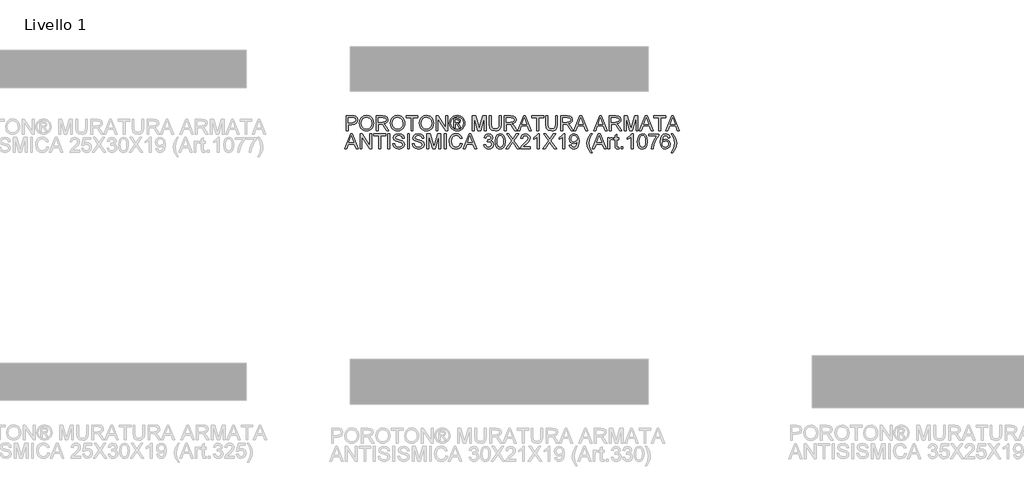
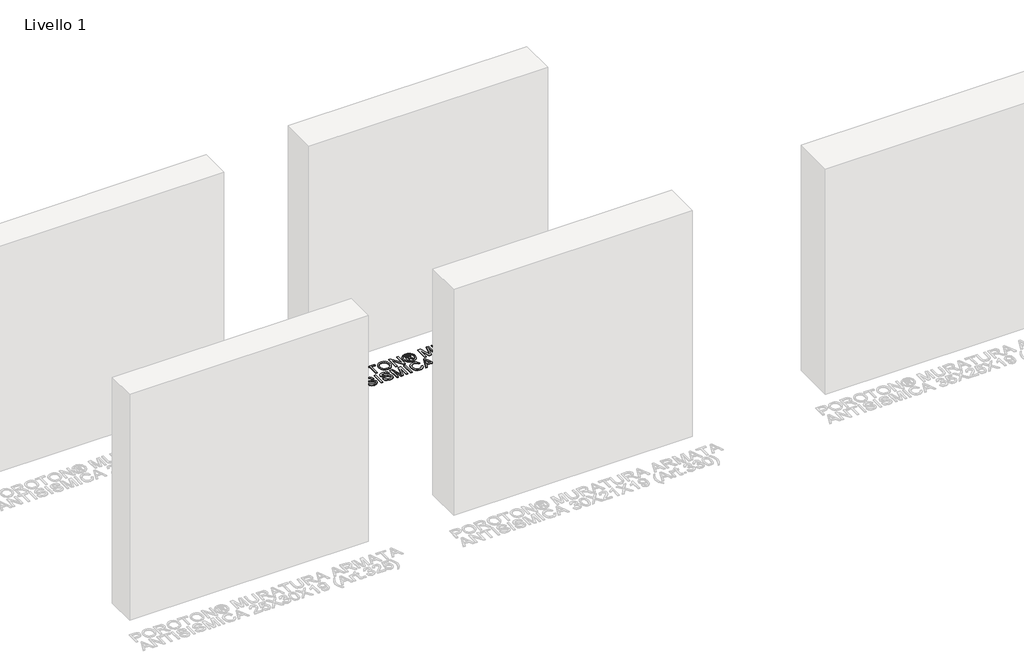
# One storey, part 8 of 8: 1 proxy.
"""IFC4 building model written with IfcOpenShell, lengths in millimetres."""

from ifc_helpers import new_model, si_unit, origin, origin_with_axes, place, context, project, spatial, polyline, outline, extrude, element, save

model = new_model("IFC4")

# Units and contexts
model_context = context("Model", 3, world=origin())
ifc_project = project(units=[si_unit("LENGTHUNIT", "METRE", prefix="MILLI")], contexts=[model_context])

# Site, building, storey
site = spatial("IfcSite", under=ifc_project)
building = spatial("IfcBuilding", under=site)
storey = spatial("IfcBuildingStorey", under=building, Name="Livello 1", Elevation=0.0)

# Proxy
placement = place(None, origin())
element("IfcBuildingElementProxy", 1, Name="100", ObjectType="100", at=placement, inside=storey, context=model_context, shape_type="SweptSolid", body=[
    extrude(outline(polyline([(-4595.7651445, 1177.6478907), (-4595.7651445, 1278.1042009), (-4558.5354866, 1278.1042009), (-4543.5259012, 1277.1477077), (-4531.3244817, 1272.4510809), (-4523.4150188, 1262.7389962), (-4520.4229119, 1249.0415232), (-4522.4431972, 1237.2018544), (-4528.5040531, 1227.3364855), (-4539.8378842, 1220.6778214), (-4557.6770953, 1218.4582667), (-4583.2081057, 1218.4582667), (-4583.2081057, 1177.6478907), (-4595.7651445, 1177.6478907)]), holes=[polyline([(-4583.2081057, 1231.0153055), (-4556.9413313, 1231.0153055), (-4538.4491297, 1235.6260932), (-4534.3472454, 1241.1749799), (-4532.9799507, 1248.6000648), (-4536.2050495, 1258.9988626), (-4544.6785981, 1264.6887708), (-4557.2356369, 1265.5471621), (-4583.2081057, 1265.5471621), (-4583.2081057, 1231.0153055)])]), origin_with_axes(), (0.0, 0.0, 1.0), 5.0),
    extrude(outline(polyline([(-4507.8658731, 1226.5516706), (-4504.518147, 1248.7656117), (-4494.4749685, 1265.5716876), (-4479.1404207, 1276.1482949), (-4459.9185864, 1279.6738307), (-4446.7422796, 1278.0183617), (-4434.9271362, 1273.0519548), (-4425.1169497, 1265.1240978), (-4417.9555135, 1254.5842786), (-4413.5777178, 1241.9414007), (-4412.1184525, 1227.7043675), (-4413.6543598, 1213.2772619), (-4418.2620818, 1200.4565744), (-4425.6871668, 1189.8983611), (-4435.6751629, 1182.2586784), (-4447.3891388, 1177.6233652), (-4459.9921628, 1176.0782609), (-4473.3708047, 1177.7858465), (-4485.2533932, 1182.9086032), (-4495.0390542, 1190.983613), (-4502.126914, 1201.5479577), (-4507.8658731, 1226.5516706)]), holes=[polyline([(-4495.3088344, 1226.4290433), (-4492.7980397, 1210.7143507), (-4485.2656559, 1198.7397918), (-4473.9440875, 1191.1614227), (-4460.0657392, 1188.6352996), (-4445.9850559, 1191.1859481), (-4434.6450934, 1198.8378936), (-4427.1678918, 1211.1803346), (-4424.6754913, 1227.8024694), (-4428.9429224, 1248.5264884), (-4441.4141221, 1262.2484869), (-4459.84501, 1267.1167919), (-4473.3524106, 1264.7715442), (-4484.8364602, 1257.7358011), (-4492.6907408, 1245.2186162), (-4495.3088344, 1226.4290433)])]), origin_with_axes(), (0.0, 0.0, 1.0), 5.0),
    extrude(outline(polyline([(-4394.8525242, 1177.6478907), (-4394.8525242, 1278.1042009), (-4351.5650761, 1278.1042009), (-4331.4664564, 1275.3941368), (-4320.4790475, 1265.8046795), (-4316.3710319, 1250.6111531), (-4318.0724861, 1240.7151274), (-4323.1768488, 1232.5113589), (-4331.8374041, 1226.4964883), (-4344.2074362, 1223.1671562), (-4337.0705255, 1217.7960791), (-4326.892457, 1204.8711584), (-4310.1415635, 1177.6478907), (-4324.7342159, 1177.6478907), (-4337.8062895, 1198.4700116), (-4347.248594, 1212.2533237), (-4353.8827327, 1218.764835), (-4359.8546837, 1221.156068), (-4367.1387472, 1221.5975264), (-4382.2954854, 1221.5975264), (-4382.2954854, 1177.6478907), (-4394.8525242, 1177.6478907)]), holes=[polyline([(-4382.2954854, 1234.1545652), (-4354.189301, 1234.1545652), (-4339.8541659, 1235.9326615), (-4331.7117111, 1241.6225697), (-4328.9280707, 1250.1451692), (-4334.2378341, 1261.2061545), (-4351.0255159, 1265.5471621), (-4382.2954854, 1265.5471621), (-4382.2954854, 1234.1545652)])]), origin_with_axes(), (0.0, 0.0, 1.0), 5.0),
    extrude(outline(polyline([(-4299.1051036, 1226.5516706), (-4295.7573774, 1248.7656117), (-4285.714199, 1265.5716876), (-4270.3796511, 1276.1482949), (-4251.1578169, 1279.6738307), (-4237.9815101, 1278.0183617), (-4226.1663667, 1273.0519548), (-4216.3561802, 1265.1240978), (-4209.194744, 1254.5842786), (-4204.8169482, 1241.9414007), (-4203.357683, 1227.7043675), (-4204.8935903, 1213.2772619), (-4209.5013123, 1200.4565744), (-4216.9263972, 1189.8983611), (-4226.9143934, 1182.2586784), (-4238.6283693, 1177.6233652), (-4251.2313933, 1176.0782609), (-4264.6100352, 1177.7858465), (-4276.4926236, 1182.9086032), (-4286.2782847, 1190.983613), (-4293.3661445, 1201.5479577), (-4299.1051036, 1226.5516706)]), holes=[polyline([(-4286.5480648, 1226.4290433), (-4284.0372702, 1210.7143507), (-4276.5048864, 1198.7397918), (-4265.183318, 1191.1614227), (-4251.3049697, 1188.6352996), (-4237.2242863, 1191.1859481), (-4225.8843238, 1198.8378936), (-4218.4071223, 1211.1803346), (-4215.9147218, 1227.8024694), (-4220.1821529, 1248.5264884), (-4232.6533525, 1262.2484869), (-4251.0842405, 1267.1167919), (-4264.5916411, 1264.7715442), (-4276.0756907, 1257.7358011), (-4283.9299713, 1245.2186162), (-4286.5480648, 1226.4290433)])]), origin_with_axes(), (0.0, 0.0, 1.0), 5.0),
    extrude(outline(polyline([(-4160.9776771, 1177.6478907), (-4160.9776771, 1265.5471621), (-4193.9399039, 1265.5471621), (-4193.9399039, 1278.1042009), (-4115.4584116, 1278.1042009), (-4115.4584116, 1265.5471621), (-4148.4206384, 1265.5471621), (-4148.4206384, 1177.6478907), (-4160.9776771, 1177.6478907)])), origin_with_axes(), (0.0, 0.0, 1.0), 5.0),
    extrude(outline(polyline([(-4106.0406325, 1226.5516706), (-4102.6929064, 1248.7656117), (-4092.6497279, 1265.5716876), (-4077.3151801, 1276.1482949), (-4058.0933458, 1279.6738307), (-4044.917039, 1278.0183617), (-4033.1018956, 1273.0519548), (-4023.2917091, 1265.1240978), (-4016.1302729, 1254.5842786), (-4011.7524772, 1241.9414007), (-4010.2932119, 1227.7043675), (-4011.8291192, 1213.2772619), (-4016.4368412, 1200.4565744), (-4023.8619262, 1189.8983611), (-4033.8499223, 1182.2586784), (-4045.5638982, 1177.6233652), (-4058.1669222, 1176.0782609), (-4071.5455641, 1177.7858465), (-4083.4281526, 1182.9086032), (-4093.2138136, 1190.983613), (-4100.3016734, 1201.5479577), (-4106.0406325, 1226.5516706)]), holes=[polyline([(-4093.4835938, 1226.4290433), (-4090.9727991, 1210.7143507), (-4083.4404153, 1198.7397918), (-4072.1188469, 1191.1614227), (-4058.2404986, 1188.6352996), (-4044.1598153, 1191.1859481), (-4032.8198528, 1198.8378936), (-4025.3426512, 1211.1803346), (-4022.8502507, 1227.8024694), (-4027.1176818, 1248.5264884), (-4039.5888815, 1262.2484869), (-4058.0197694, 1267.1167919), (-4071.52717, 1264.7715442), (-4083.0112196, 1257.7358011), (-4090.8655002, 1245.2186162), (-4093.4835938, 1226.4290433)])]), origin_with_axes(), (0.0, 0.0, 1.0), 5.0),
    extrude(outline(polyline([(-3993.0272836, 1177.6478907), (-3993.0272836, 1278.1042009), (-3979.5873281, 1278.1042009), (-3927.1028301, 1198.5190626), (-3927.1028301, 1278.1042009), (-3914.5457913, 1278.1042009), (-3914.5457913, 1177.6478907), (-3927.9857469, 1177.6478907), (-3980.4702448, 1257.2575545), (-3980.4702448, 1177.6478907), (-3993.0272836, 1177.6478907)])), origin_with_axes(), (0.0, 0.0, 1.0), 5.0),
    extrude(outline(polyline([(-3851.736072, 1279.6738307), (-3838.8418081, 1277.9999676), (-3826.2541125, 1272.9783784), (-3815.1961928, 1264.8420549), (-3806.8912568, 1253.8239892), (-3801.6949236, 1241.1014035), (-3799.9628125, 1227.8515203), (-3801.6703981, 1214.7181331), (-3806.7931549, 1202.0997807), (-3814.9969234, 1191.1215688), (-3825.9475441, 1182.9086032), (-3838.5566995, 1177.7858465), (-3851.736072, 1176.0782609), (-3864.8970504, 1177.7858465), (-3877.5000744, 1182.9086032), (-3888.4598922, 1191.1215688), (-3896.6912518, 1202.0997807), (-3901.8415997, 1214.7181331), (-3903.5583824, 1227.8515203), (-3901.8170743, 1241.1014035), (-3896.5931499, 1253.8239892), (-3888.2606228, 1264.8420549), (-3877.1935061, 1272.9783784), (-3864.6119418, 1277.9999676), (-3851.736072, 1279.6738307)]), holes=[polyline([(-3851.736072, 1270.2560516), (-3872.5581929, 1264.7746099), (-3881.5866302, 1258.1128801), (-3888.4139069, 1249.0905742), (-3894.1406033, 1227.8515203), (-3888.5242715, 1206.7964075), (-3872.8034476, 1191.1123717), (-3851.736072, 1185.4960399), (-3830.6564337, 1191.1123717), (-3814.9723979, 1206.7964075), (-3809.3805916, 1227.8515203), (-3815.0704998, 1249.0905742), (-3821.8793824, 1258.1128801), (-3830.9262138, 1264.7746099), (-3851.736072, 1270.2560516)])]), origin_with_axes(), (0.0, 0.0, 1.0), 5.0),
    extrude(outline(polyline([(-3875.3050452, 1196.4834489), (-3875.3050452, 1259.2686427), (-3855.0224845, 1259.2686427), (-3839.9638482, 1257.5395973), (-3832.5448946, 1251.5063326), (-3829.7857796, 1242.3460709), (-3834.5437201, 1230.4266943), (-3847.1498098, 1224.7367861), (-3842.2447165, 1221.4013227), (-3833.6853288, 1208.8688094), (-3826.6465199, 1196.4834489), (-3837.2415214, 1196.4834489), (-3842.7597513, 1206.4407882), (-3852.0058521, 1220.8617624), (-3860.0256796, 1223.1671562), (-3865.8872661, 1223.1671562), (-3865.8872661, 1196.4834489), (-3875.3050452, 1196.4834489)]), holes=[polyline([(-3865.8872661, 1232.5849353), (-3853.9678894, 1232.5849353), (-3842.3182929, 1234.9761683), (-3839.2035587, 1241.3160013), (-3840.6996121, 1245.8777381), (-3844.8566787, 1248.869845), (-3854.7281789, 1249.8508636), (-3865.8872661, 1249.8508636), (-3865.8872661, 1232.5849353)])]), origin_with_axes(), (0.0, 0.0, 1.0), 5.0),
    extrude(outline(polyline([(-3749.7346575, 1177.6478907), (-3749.7346575, 1278.1042009), (-3728.1277216, 1278.1042009), (-3707.5753808, 1207.2991795), (-3703.430577, 1192.5103233), (-3698.9424167, 1208.5254528), (-3678.7334324, 1278.1042009), (-3657.1264965, 1278.1042009), (-3657.1264965, 1177.6478907), (-3669.6835353, 1177.6478907), (-3669.6835353, 1265.5471621), (-3694.9202402, 1177.6478907), (-3711.9409138, 1177.6478907), (-3737.1776187, 1265.5471621), (-3737.1776187, 1177.6478907), (-3749.7346575, 1177.6478907)])), origin_with_axes(), (0.0, 0.0, 1.0), 5.0),
    extrude(outline(polyline([(-3569.2272252, 1278.1042009), (-3556.6701864, 1278.1042009), (-3556.6701864, 1220.1505239), (-3560.0792262, 1196.1278296), (-3572.3664849, 1181.6578045), (-3582.6303925, 1177.4731468), (-3595.6656779, 1176.0782609), (-3618.6092517, 1180.9343032), (-3626.2489344, 1186.8786631), (-3631.3379687, 1194.9996581), (-3635.1516787, 1220.1505239), (-3635.1516787, 1278.1042009), (-3622.5946399, 1278.1042009), (-3622.5946399, 1220.5919823), (-3620.1175678, 1201.4498558), (-3611.607231, 1191.9707631), (-3596.8429003, 1188.6352996), (-3584.0712637, 1190.2846372), (-3575.579321, 1195.2326501), (-3570.8152491, 1204.8711584), (-3569.2272252, 1220.5919823), (-3569.2272252, 1278.1042009)])), origin_with_axes(), (0.0, 0.0, 1.0), 5.0),
    extrude(outline(polyline([(-3534.6953686, 1177.6478907), (-3534.6953686, 1278.1042009), (-3491.4079205, 1278.1042009), (-3471.3093008, 1275.3941368), (-3460.3218919, 1265.8046795), (-3456.2138762, 1250.6111531), (-3457.9153305, 1240.7151274), (-3463.0196932, 1232.5113589), (-3471.6802485, 1226.4964883), (-3484.0502806, 1223.1671562), (-3476.9133698, 1217.7960791), (-3466.7353013, 1204.8711584), (-3449.9844078, 1177.6478907), (-3464.5770603, 1177.6478907), (-3477.6491338, 1198.4700116), (-3487.0914384, 1212.2533237), (-3493.725577, 1218.764835), (-3499.6975281, 1221.156068), (-3506.9815916, 1221.5975264), (-3522.1383298, 1221.5975264), (-3522.1383298, 1177.6478907), (-3534.6953686, 1177.6478907)]), holes=[polyline([(-3522.1383298, 1234.1545652), (-3494.0321454, 1234.1545652), (-3479.6970103, 1235.9326615), (-3471.5545554, 1241.6225697), (-3468.770915, 1250.1451692), (-3474.0806785, 1261.2061545), (-3490.8683602, 1265.5471621), (-3522.1383298, 1265.5471621), (-3522.1383298, 1234.1545652)])]), origin_with_axes(), (0.0, 0.0, 1.0), 5.0),
    extrude(outline(polyline([(-3445.9377059, 1177.6478907), (-3405.8385684, 1278.1042009), (-3395.1454651, 1278.1042009), (-3355.0463276, 1177.6478907), (-3368.3146049, 1177.6478907), (-3379.8170486, 1209.0404876), (-3421.1915103, 1209.0404876), (-3432.6694286, 1177.6478907), (-3445.9377059, 1177.6478907)]), holes=[polyline([(-3416.5807226, 1221.5975264), (-3384.4033108, 1221.5975264), (-3393.4532079, 1246.294671), (-3400.4920167, 1265.5471621), (-3406.7460106, 1248.452912), (-3416.5807226, 1221.5975264)])]), origin_with_axes(), (0.0, 0.0, 1.0), 5.0),
    extrude(outline(polyline([(-3316.5168199, 1177.6478907), (-3316.5168199, 1265.5471621), (-3349.4790467, 1265.5471621), (-3349.4790467, 1278.1042009), (-3270.9975544, 1278.1042009), (-3270.9975544, 1265.5471621), (-3303.9597812, 1265.5471621), (-3303.9597812, 1177.6478907), (-3316.5168199, 1177.6478907)])), origin_with_axes(), (0.0, 0.0, 1.0), 5.0),
    extrude(outline(polyline([(-3190.9464323, 1278.1042009), (-3178.3893935, 1278.1042009), (-3178.3893935, 1220.1505239), (-3181.7984333, 1196.1278296), (-3194.085692, 1181.6578045), (-3204.3495996, 1177.4731468), (-3217.384885, 1176.0782609), (-3240.3284587, 1180.9343032), (-3247.9681415, 1186.8786631), (-3253.0571758, 1194.9996581), (-3256.8708858, 1220.1505239), (-3256.8708858, 1278.1042009), (-3244.313847, 1278.1042009), (-3244.313847, 1220.5919823), (-3241.8367749, 1201.4498558), (-3233.3264381, 1191.9707631), (-3218.5621074, 1188.6352996), (-3205.7904708, 1190.2846372), (-3197.298528, 1195.2326501), (-3192.5344562, 1204.8711584), (-3190.9464323, 1220.5919823), (-3190.9464323, 1278.1042009)])), origin_with_axes(), (0.0, 0.0, 1.0), 5.0),
    extrude(outline(polyline([(-3156.4145756, 1177.6478907), (-3156.4145756, 1278.1042009), (-3113.1271275, 1278.1042009), (-3093.0285079, 1275.3941368), (-3082.041099, 1265.8046795), (-3077.9330833, 1250.6111531), (-3079.6345376, 1240.7151274), (-3084.7389003, 1232.5113589), (-3093.3994556, 1226.4964883), (-3105.7694876, 1223.1671562), (-3098.6325769, 1217.7960791), (-3088.4545084, 1204.8711584), (-3071.7036149, 1177.6478907), (-3086.2962674, 1177.6478907), (-3099.3683409, 1198.4700116), (-3108.8106455, 1212.2533237), (-3115.4447841, 1218.764835), (-3121.4167352, 1221.156068), (-3128.7007987, 1221.5975264), (-3143.8575369, 1221.5975264), (-3143.8575369, 1177.6478907), (-3156.4145756, 1177.6478907)]), holes=[polyline([(-3143.8575369, 1234.1545652), (-3115.7513524, 1234.1545652), (-3101.4162174, 1235.9326615), (-3093.2737625, 1241.6225697), (-3090.4901221, 1250.1451692), (-3095.7998856, 1261.2061545), (-3112.5875673, 1265.5471621), (-3143.8575369, 1265.5471621), (-3143.8575369, 1234.1545652)])]), origin_with_axes(), (0.0, 0.0, 1.0), 5.0),
    extrude(outline(polyline([(-3067.6569129, 1177.6478907), (-3027.5577755, 1278.1042009), (-3016.8646721, 1278.1042009), (-2976.7655347, 1177.6478907), (-2990.033812, 1177.6478907), (-3001.5362557, 1209.0404876), (-3042.9107174, 1209.0404876), (-3054.3886357, 1177.6478907), (-3067.6569129, 1177.6478907)]), holes=[polyline([(-3038.2999297, 1221.5975264), (-3006.1225179, 1221.5975264), (-3015.172415, 1246.294671), (-3022.2112238, 1265.5471621), (-3028.4652177, 1248.452912), (-3038.2999297, 1221.5975264)])]), origin_with_axes(), (0.0, 0.0, 1.0), 5.0),
    extrude(outline(polyline([(-2935.8080059, 1177.6478907), (-2895.7088684, 1278.1042009), (-2885.0157651, 1278.1042009), (-2844.9166276, 1177.6478907), (-2858.1849049, 1177.6478907), (-2869.6873486, 1209.0404876), (-2911.0618103, 1209.0404876), (-2922.5397286, 1177.6478907), (-2935.8080059, 1177.6478907)]), holes=[polyline([(-2906.4510227, 1221.5975264), (-2874.2736108, 1221.5975264), (-2883.3235079, 1246.294671), (-2890.3623167, 1265.5471621), (-2896.6163107, 1248.452912), (-2906.4510227, 1221.5975264)])]), origin_with_axes(), (0.0, 0.0, 1.0), 5.0),
    extrude(outline(polyline([(-2831.5011975, 1177.6478907), (-2831.5011975, 1278.1042009), (-2788.2137494, 1278.1042009), (-2768.1151297, 1275.3941368), (-2757.1277208, 1265.8046795), (-2753.0197052, 1250.6111531), (-2754.7211594, 1240.7151274), (-2759.8255221, 1232.5113589), (-2768.4860774, 1226.4964883), (-2780.8561095, 1223.1671562), (-2773.7191988, 1217.7960791), (-2763.5411303, 1204.8711584), (-2746.7902368, 1177.6478907), (-2761.3828892, 1177.6478907), (-2774.4549628, 1198.4700116), (-2783.8972673, 1212.2533237), (-2790.531406, 1218.764835), (-2796.503357, 1221.156068), (-2803.7874205, 1221.5975264), (-2818.9441587, 1221.5975264), (-2818.9441587, 1177.6478907), (-2831.5011975, 1177.6478907)]), holes=[polyline([(-2818.9441587, 1234.1545652), (-2790.8379743, 1234.1545652), (-2776.5028392, 1235.9326615), (-2768.3603844, 1241.6225697), (-2765.576744, 1250.1451692), (-2770.8865074, 1261.2061545), (-2787.6741891, 1265.5471621), (-2818.9441587, 1265.5471621), (-2818.9441587, 1234.1545652)])]), origin_with_axes(), (0.0, 0.0, 1.0), 5.0),
    extrude(outline(polyline([(-2731.0448874, 1177.6478907), (-2731.0448874, 1278.1042009), (-2709.4379515, 1278.1042009), (-2688.8856107, 1207.2991795), (-2684.7408069, 1192.5103233), (-2680.2526466, 1208.5254528), (-2660.0436623, 1278.1042009), (-2638.4367264, 1278.1042009), (-2638.4367264, 1177.6478907), (-2650.9937652, 1177.6478907), (-2650.9937652, 1265.5471621), (-2676.2304701, 1177.6478907), (-2693.2511437, 1177.6478907), (-2718.4878486, 1265.5471621), (-2718.4878486, 1177.6478907), (-2731.0448874, 1177.6478907)])), origin_with_axes(), (0.0, 0.0, 1.0), 5.0),
    extrude(outline(polyline([(-2628.160556, 1177.6478907), (-2588.0614186, 1278.1042009), (-2577.3683152, 1278.1042009), (-2537.2691778, 1177.6478907), (-2550.5374551, 1177.6478907), (-2562.0398988, 1209.0404876), (-2603.4143605, 1209.0404876), (-2614.8922787, 1177.6478907), (-2628.160556, 1177.6478907)]), holes=[polyline([(-2598.8035728, 1221.5975264), (-2566.626161, 1221.5975264), (-2575.6760581, 1246.294671), (-2582.7148669, 1265.5471621), (-2588.9688608, 1248.452912), (-2598.8035728, 1221.5975264)])]), origin_with_axes(), (0.0, 0.0, 1.0), 5.0),
    extrude(outline(polyline([(-2498.7396701, 1177.6478907), (-2498.7396701, 1265.5471621), (-2531.7018969, 1265.5471621), (-2531.7018969, 1278.1042009), (-2453.2204046, 1278.1042009), (-2453.2204046, 1265.5471621), (-2486.1826314, 1265.5471621), (-2486.1826314, 1177.6478907), (-2498.7396701, 1177.6478907)])), origin_with_axes(), (0.0, 0.0, 1.0), 5.0),
    extrude(outline(polyline([(-2450.7923834, 1177.6478907), (-2410.693246, 1278.1042009), (-2400.0001426, 1278.1042009), (-2359.9010052, 1177.6478907), (-2373.1692824, 1177.6478907), (-2384.6717262, 1209.0404876), (-2426.0461879, 1209.0404876), (-2437.5241061, 1177.6478907), (-2450.7923834, 1177.6478907)]), holes=[polyline([(-2421.4354002, 1221.5975264), (-2389.2579884, 1221.5975264), (-2398.3078855, 1246.294671), (-2405.3466943, 1265.5471621), (-2411.6006882, 1248.452912), (-2421.4354002, 1221.5975264)])]), origin_with_axes(), (0.0, 0.0, 1.0), 5.0),
    extrude(outline(polyline([(-4607.463792, 1055.6730729), (-4567.3646545, 1156.129383), (-4556.6715512, 1156.129383), (-4516.5724137, 1055.6730729), (-4529.840691, 1055.6730729), (-4541.3431347, 1087.0656698), (-4582.7175964, 1087.0656698), (-4594.1955147, 1055.6730729), (-4607.463792, 1055.6730729)]), holes=[polyline([(-4578.1068087, 1099.6227086), (-4545.9293969, 1099.6227086), (-4554.979294, 1124.3198532), (-4562.0181028, 1143.5723442), (-4568.2720967, 1126.4780942), (-4578.1068087, 1099.6227086)])]), origin_with_axes(), (0.0, 0.0, 1.0), 5.0),
    extrude(outline(polyline([(-4503.1569836, 1055.6730729), (-4503.1569836, 1156.129383), (-4489.717028, 1156.129383), (-4437.2325301, 1076.5442447), (-4437.2325301, 1156.129383), (-4424.6754913, 1156.129383), (-4424.6754913, 1055.6730729), (-4438.1154468, 1055.6730729), (-4490.5999448, 1135.2827366), (-4490.5999448, 1055.6730729), (-4503.1569836, 1055.6730729)])), origin_with_axes(), (0.0, 0.0, 1.0), 5.0),
    extrude(outline(polyline([(-4377.5865959, 1055.6730729), (-4377.5865959, 1143.5723442), (-4410.5488227, 1143.5723442), (-4410.5488227, 1156.129383), (-4332.0673304, 1156.129383), (-4332.0673304, 1143.5723442), (-4365.0295571, 1143.5723442), (-4365.0295571, 1055.6730729), (-4377.5865959, 1055.6730729)])), origin_with_axes(), (0.0, 0.0, 1.0), 5.0),
    extrude(outline(polyline([(-4316.3710319, 1055.6730729), (-4316.3710319, 1156.129383), (-4303.8139931, 1156.129383), (-4303.8139931, 1055.6730729), (-4316.3710319, 1055.6730729)])), origin_with_axes(), (0.0, 0.0, 1.0), 5.0),
    extrude(outline(polyline([(-4283.4088051, 1090.2049295), (-4270.8517664, 1090.2049295), (-4266.8050644, 1077.635628), (-4256.9213015, 1069.6893769), (-4241.8626651, 1066.6604818), (-4228.7415407, 1068.9536129), (-4220.267992, 1075.2566577), (-4217.4843516, 1083.6811554), (-4219.5690162, 1091.5170419), (-4228.1038785, 1097.2192129), (-4246.3876137, 1102.0139415), (-4266.0693004, 1108.2066218), (-4276.750141, 1117.5508245), (-4280.2695454, 1130.0342868), (-4275.9162752, 1144.2467946), (-4263.1998209, 1154.2777103), (-4244.5849919, 1157.6990129), (-4224.7193642, 1154.1182948), (-4211.4756123, 1143.5968697), (-4206.4969427, 1127.8760458), (-4219.0539814, 1127.8760458), (-4221.3593753, 1135.3685758), (-4226.1663667, 1140.7764411), (-4244.0944826, 1145.1419741), (-4262.0716494, 1140.825492), (-4267.7125067, 1130.4021688), (-4263.7148557, 1121.6956283), (-4243.2115658, 1114.6813449), (-4220.9914933, 1108.3783), (-4208.8391247, 1098.2002315), (-4204.9273128, 1083.9999865), (-4209.4277359, 1068.9781384), (-4222.3771821, 1058.0152549), (-4241.3721558, 1054.103443), (-4263.8006948, 1058.3218232), (-4277.9886771, 1071.0260148), (-4283.4088051, 1090.2049295)])), origin_with_axes(), (0.0, 0.0, 1.0), 5.0),
    extrude(outline(polyline([(-4184.5221248, 1055.6730729), (-4184.5221248, 1156.129383), (-4171.9650861, 1156.129383), (-4171.9650861, 1055.6730729), (-4184.5221248, 1055.6730729)])), origin_with_axes(), (0.0, 0.0, 1.0), 5.0),
    extrude(outline(polyline([(-4151.5598981, 1090.2049295), (-4139.0028593, 1090.2049295), (-4134.9561574, 1077.635628), (-4125.0723944, 1069.6893769), (-4110.0137581, 1066.6604818), (-4096.8926336, 1068.9536129), (-4088.419085, 1075.2566577), (-4085.6354445, 1083.6811554), (-4087.7201092, 1091.5170419), (-4096.2549715, 1097.2192129), (-4114.5387066, 1102.0139415), (-4134.2203934, 1108.2066218), (-4144.901234, 1117.5508245), (-4148.4206384, 1130.0342868), (-4144.0673681, 1144.2467946), (-4131.3509138, 1154.2777103), (-4112.7360848, 1157.6990129), (-4092.8704571, 1154.1182948), (-4079.6267053, 1143.5968697), (-4074.6480356, 1127.8760458), (-4087.2050744, 1127.8760458), (-4089.5104682, 1135.3685758), (-4094.3174596, 1140.7764411), (-4112.2455755, 1145.1419741), (-4130.2227423, 1140.825492), (-4135.8635996, 1130.4021688), (-4131.8659486, 1121.6956283), (-4111.3626587, 1114.6813449), (-4089.1425862, 1108.3783), (-4076.9902176, 1098.2002315), (-4073.0784058, 1083.9999865), (-4077.5788288, 1068.9781384), (-4090.5282751, 1058.0152549), (-4109.5232488, 1054.103443), (-4131.9517877, 1058.3218232), (-4146.13977, 1071.0260148), (-4151.5598981, 1090.2049295)])), origin_with_axes(), (0.0, 0.0, 1.0), 5.0),
    extrude(outline(polyline([(-4054.2428476, 1055.6730729), (-4054.2428476, 1156.129383), (-4032.6359118, 1156.129383), (-4012.083571, 1085.3243617), (-4007.9387671, 1070.5355055), (-4003.4506068, 1086.550635), (-3983.2416225, 1156.129383), (-3961.6346867, 1156.129383), (-3961.6346867, 1055.6730729), (-3974.1917255, 1055.6730729), (-3974.1917255, 1143.5723442), (-3999.4284303, 1055.6730729), (-4016.449104, 1055.6730729), (-4041.6858088, 1143.5723442), (-4041.6858088, 1055.6730729), (-4054.2428476, 1055.6730729)])), origin_with_axes(), (0.0, 0.0, 1.0), 5.0),
    extrude(outline(polyline([(-3938.090239, 1055.6730729), (-3938.090239, 1156.129383), (-3925.5332002, 1156.129383), (-3925.5332002, 1055.6730729), (-3938.090239, 1055.6730729)])), origin_with_axes(), (0.0, 0.0, 1.0), 5.0),
    extrude(outline(polyline([(-3829.7857796, 1091.3821519), (-3817.2287408, 1088.1447903), (-3823.0228823, 1073.5122839), (-3832.1156989, 1062.8222463), (-3844.059601, 1056.2831438), (-3858.4069988, 1054.103443), (-3872.9720602, 1055.7527806), (-3884.5388832, 1060.7007935), (-3893.4048393, 1068.7758033), (-3899.8672997, 1079.8061317), (-3905.1280122, 1106.6615174), (-3903.6411558, 1121.3093522), (-3899.1805866, 1133.9583614), (-3891.9792966, 1144.2069407), (-3882.2702776, 1151.6534854), (-3870.7555711, 1156.187631), (-3858.1372187, 1157.6990129), (-3844.369235, 1155.7431069), (-3832.986353, 1149.8753891), (-3824.3441918, 1140.45761), (-3818.7983707, 1127.8515203), (-3831.3554095, 1124.8594134), (-3841.6561053, 1140.2981945), (-3858.627728, 1145.1419741), (-3878.2726266, 1139.770897), (-3889.3704001, 1125.3499228), (-3892.5709735, 1106.6860429), (-3888.7817889, 1085.0545815), (-3876.9850396, 1071.2344813), (-3859.6577976, 1066.6604818), (-3849.1762264, 1068.2178489), (-3840.4420947, 1072.8899502), (-3833.84781, 1080.6277349), (-3829.7857796, 1091.3821519)])), origin_with_axes(), (0.0, 0.0, 1.0), 5.0),
    extrude(outline(polyline([(-3811.66146, 1055.6730729), (-3771.5623225, 1156.129383), (-3760.8692192, 1156.129383), (-3720.7700817, 1055.6730729), (-3734.038359, 1055.6730729), (-3745.5408027, 1087.0656698), (-3786.9152644, 1087.0656698), (-3798.3931827, 1055.6730729), (-3811.66146, 1055.6730729)]), holes=[polyline([(-3782.3044768, 1099.6227086), (-3750.1270649, 1099.6227086), (-3759.176962, 1124.3198532), (-3766.2157709, 1143.5723442), (-3772.4697648, 1126.4780942), (-3782.3044768, 1099.6227086)])]), origin_with_axes(), (0.0, 0.0, 1.0), 5.0),
    extrude(outline(polyline([(-3672.822795, 1082.3567802), (-3660.2657562, 1083.9264101), (-3653.337312, 1070.7071837), (-3640.375603, 1066.6604818), (-3631.7671643, 1068.052302), (-3625.120763, 1072.2277626), (-3619.4553802, 1086.0110747), (-3625.071712, 1098.9973092), (-3639.3455334, 1104.1353944), (-3648.1501759, 1102.7619682), (-3646.7522243, 1115.319007), (-3644.741136, 1115.1718542), (-3630.4918401, 1118.7770978), (-3625.7461624, 1123.3510972), (-3624.1642698, 1129.8626086), (-3628.750532, 1139.6850578), (-3640.5718068, 1143.5723442), (-3652.5402343, 1139.6482696), (-3658.6961264, 1127.8760458), (-3671.2531652, 1129.4456756), (-3667.5559511, 1140.7212588), (-3660.9769948, 1149.1396251), (-3651.9761486, 1154.3819435), (-3641.0132652, 1156.129383), (-3625.8687897, 1152.683555), (-3615.2737882, 1143.2657759), (-3611.607231, 1130.5983725), (-3615.0898472, 1119.0223524), (-3625.3905431, 1110.7082193), (-3611.7053329, 1102.1243061), (-3606.8983415, 1085.7903455), (-3609.3018372, 1073.5521378), (-3616.5123243, 1063.3250184), (-3627.3955, 1056.4088369), (-3640.8170614, 1054.103443), (-3652.9571673, 1056.0716117), (-3662.8409302, 1061.9761177), (-3669.7141922, 1071.0076207), (-3672.822795, 1082.3567802)])), origin_with_axes(), (0.0, 0.0, 1.0), 5.0),
    extrude(outline(polyline([(-3595.9109326, 1105.0918876), (-3592.2198499, 1133.9951496), (-3581.2569664, 1150.660204), (-3562.9487058, 1156.129383), (-3548.2824769, 1152.8920215), (-3538.1534593, 1143.5600815), (-3532.2673474, 1128.6976489), (-3529.986479, 1105.0918876), (-3533.6407735, 1076.3112528), (-3544.5668688, 1059.6094102), (-3552.7982284, 1055.4799348), (-3562.9487058, 1054.103443), (-3575.9962539, 1056.494676), (-3585.9045423, 1063.6683749), (-3593.409335, 1080.6583917), (-3595.9109326, 1105.0918876)]), holes=[polyline([(-3583.3538938, 1105.116413), (-3581.8823658, 1085.3642156), (-3577.4677819, 1073.9322826), (-3570.8949569, 1068.478432), (-3562.9487058, 1066.6604818), (-3555.0024547, 1068.4845633), (-3548.4296297, 1073.956808), (-3544.0150458, 1085.3948724), (-3542.5435178, 1105.116413), (-3543.9659948, 1124.4240864), (-3548.233426, 1135.9449242), (-3554.7939882, 1141.6654892), (-3563.0958586, 1143.5723442), (-3570.9562705, 1141.8923498), (-3577.2715781, 1136.8523665), (-3581.8333149, 1124.6141588), (-3583.3538938, 1105.116413)])]), origin_with_axes(), (0.0, 0.0, 1.0), 5.0),
    extrude(outline(polyline([(-3525.2775895, 1055.6730729), (-3486.5518781, 1110.4139137), (-3518.9990701, 1156.129383), (-3503.9404338, 1156.129383), (-3485.6689613, 1130.4021688), (-3479.5130693, 1120.3712531), (-3472.3025822, 1130.5738471), (-3454.2273135, 1156.129383), (-3438.9479479, 1156.129383), (-3471.3951399, 1110.2667609), (-3432.6694286, 1055.6730729), (-3447.7280649, 1055.6730729), (-3473.5288555, 1092.0688649), (-3478.8999326, 1099.6227086), (-3484.81057, 1091.3331009), (-3509.9982239, 1055.6730729), (-3525.2775895, 1055.6730729)])), origin_with_axes(), (0.0, 0.0, 1.0), 5.0),
    extrude(outline(polyline([(-3360.4664556, 1068.2301116), (-3360.4664556, 1055.6730729), (-3426.3909092, 1055.6730729), (-3425.0420085, 1064.3305625), (-3417.4145885, 1077.6601534), (-3401.6937646, 1092.2160177), (-3380.0132523, 1113.1362405), (-3374.5931243, 1127.361011), (-3379.706684, 1138.8757174), (-3393.0608004, 1143.5723442), (-3406.9790026, 1138.986082), (-3412.2642406, 1126.3064159), (-3424.8212793, 1127.8760458), (-3421.7770558, 1140.022283), (-3415.1950338, 1148.8943704), (-3405.4185698, 1154.3206299), (-3392.7910203, 1156.129383), (-3380.0715003, 1154.1182948), (-3370.3134304, 1148.0850301), (-3364.1054217, 1139.0719212), (-3362.0360855, 1128.1213004), (-3364.2679029, 1116.2141865), (-3371.6868565, 1103.9024024), (-3389.6762861, 1086.6977878), (-3404.1217857, 1074.6189956), (-3409.7871685, 1068.2301116), (-3360.4664556, 1068.2301116)])), origin_with_axes(), (0.0, 0.0, 1.0), 5.0),
    extrude(outline(polyline([(-3300.8205215, 1055.6730729), (-3313.3775603, 1055.6730729), (-3313.3775603, 1133.9583614), (-3325.2724114, 1125.4848128), (-3338.4916378, 1119.1449798), (-3338.4916378, 1131.0153055), (-3320.0852753, 1142.7630039), (-3308.9139254, 1156.129383), (-3300.8205215, 1156.129383), (-3300.8205215, 1055.6730729)])), origin_with_axes(), (0.0, 0.0, 1.0), 5.0),
    extrude(outline(polyline([(-3277.2760738, 1055.6730729), (-3238.5503624, 1110.4139137), (-3270.9975544, 1156.129383), (-3255.9389181, 1156.129383), (-3237.6674456, 1130.4021688), (-3231.5115536, 1120.3712531), (-3224.3010665, 1130.5738471), (-3206.2257978, 1156.129383), (-3190.9464323, 1156.129383), (-3223.3936242, 1110.2667609), (-3184.6679129, 1055.6730729), (-3199.7265492, 1055.6730729), (-3225.5273398, 1092.0688649), (-3230.8984169, 1099.6227086), (-3236.8090543, 1091.3331009), (-3261.9967083, 1055.6730729), (-3277.2760738, 1055.6730729)])), origin_with_axes(), (0.0, 0.0, 1.0), 5.0),
    extrude(outline(polyline([(-3129.7308683, 1055.6730729), (-3142.287907, 1055.6730729), (-3142.287907, 1133.9583614), (-3154.1827582, 1125.4848128), (-3167.4019846, 1119.1449798), (-3167.4019846, 1131.0153055), (-3148.9956221, 1142.7630039), (-3137.8242722, 1156.129383), (-3129.7308683, 1156.129383), (-3129.7308683, 1055.6730729)])), origin_with_axes(), (0.0, 0.0, 1.0), 5.0),
    extrude(outline(polyline([(-3098.3382713, 1080.7871504), (-3085.7812326, 1082.3567802), (-3080.1403753, 1070.3760899), (-3069.447272, 1066.6604818), (-3059.2814662, 1069.0517148), (-3052.3898101, 1075.4405987), (-3048.2817945, 1086.3544313), (-3046.46691, 1100.9225583), (-3046.5404864, 1103.3751049), (-3056.5836649, 1093.859224), (-3070.3547142, 1090.2049295), (-3081.8050413, 1092.4367469), (-3091.3362507, 1099.1321992), (-3097.7649886, 1109.4758147), (-3099.9079012, 1122.6521215), (-3097.6607553, 1136.2637553), (-3090.9193178, 1146.9323331), (-3080.7933659, 1153.8301205), (-3068.3926769, 1156.129383), (-3050.5013492, 1150.8809332), (-3038.1895651, 1135.9203987), (-3033.9834477, 1107.8142143), (-3038.1773024, 1077.3167969), (-3043.3920297, 1067.3257351), (-3050.648502, 1060.0386059), (-3059.6340198, 1055.5872337), (-3070.0358832, 1054.103443), (-3080.7719061, 1055.8539482), (-3089.3374252, 1061.1054637), (-3095.3277703, 1069.5268957), (-3098.3382713, 1080.7871504)]), holes=[polyline([(-3046.5404864, 1122.946427), (-3047.8955184, 1131.4567639), (-3051.9606145, 1138.0050634), (-3058.2697907, 1142.180524), (-3066.3570632, 1143.5723442), (-3074.7447727, 1142.0732251), (-3081.4647505, 1137.5758677), (-3085.8793344, 1130.6934087), (-3087.3508624, 1122.0389848), (-3085.9590422, 1114.2797404), (-3081.7835816, 1108.1207826), (-3075.2291507, 1104.1016718), (-3066.7004198, 1102.7619682), (-3052.2181319, 1108.1207826), (-3047.9598978, 1114.5066009), (-3046.5404864, 1122.946427)])]), origin_with_axes(), (0.0, 0.0, 1.0), 5.0),
    extrude(outline(polyline([(-2955.5019553, 1027.4197356), (-2973.3319694, 1056.8748207), (-2978.795017, 1074.0549099), (-2980.6160329, 1091.8481357), (-2975.1713794, 1122.3823413), (-2955.5019553, 1156.129383), (-2946.0841763, 1156.129383), (-2957.8318747, 1136.2392298), (-2964.895209, 1116.9622133), (-2968.0589941, 1091.7745593), (-2962.5652897, 1059.5848847), (-2946.0841763, 1027.4197356), (-2955.5019553, 1027.4197356)])), origin_with_axes(), (0.0, 0.0, 1.0), 5.0),
    extrude(outline(polyline([(-2943.6561551, 1055.6730729), (-2903.5570176, 1156.129383), (-2892.8639143, 1156.129383), (-2852.7647768, 1055.6730729), (-2866.0330541, 1055.6730729), (-2877.5354978, 1087.0656698), (-2918.9099596, 1087.0656698), (-2930.3878778, 1055.6730729), (-2943.6561551, 1055.6730729)]), holes=[polyline([(-2914.2991719, 1099.6227086), (-2882.12176, 1099.6227086), (-2891.1716571, 1124.3198532), (-2898.210466, 1143.5723442), (-2904.4644599, 1126.4780942), (-2914.2991719, 1099.6227086)])]), origin_with_axes(), (0.0, 0.0, 1.0), 5.0),
    extrude(outline(polyline([(-2840.9189766, 1055.6730729), (-2840.9189766, 1129.4456756), (-2829.9315677, 1129.4456756), (-2829.9315677, 1118.5318431), (-2822.1324694, 1128.5872843), (-2814.2843201, 1131.0153055), (-2801.6782304, 1127.1402818), (-2805.8720852, 1115.8830927), (-2814.7012531, 1118.4582667), (-2821.8013756, 1115.9811946), (-2826.3263241, 1109.114064), (-2828.3619378, 1094.4478352), (-2828.3619378, 1055.6730729), (-2840.9189766, 1055.6730729)])), origin_with_axes(), (0.0, 0.0, 1.0), 5.0),
    extrude(outline(polyline([(-2767.1463738, 1066.145447), (-2765.576744, 1055.3051909), (-2774.9699976, 1054.103443), (-2785.4914226, 1056.1881077), (-2790.7398724, 1061.6572867), (-2792.2604514, 1075.9065826), (-2792.2604514, 1116.8886369), (-2801.6782304, 1116.8886369), (-2801.6782304, 1129.4456756), (-2792.2604514, 1129.4456756), (-2792.2604514, 1147.3737915), (-2779.7034126, 1154.7559569), (-2779.7034126, 1129.4456756), (-2767.1463738, 1129.4456756), (-2767.1463738, 1116.8886369), (-2779.7034126, 1116.8886369), (-2779.7034126, 1076.2744646), (-2779.041225, 1069.7997415), (-2776.8952467, 1067.5066104), (-2772.6155528, 1066.6604818), (-2767.1463738, 1066.145447)])), origin_with_axes(), (0.0, 0.0, 1.0), 5.0),
    extrude(outline(polyline([(-2751.4500754, 1055.6730729), (-2751.4500754, 1068.2301116), (-2738.8930366, 1068.2301116), (-2738.8930366, 1055.6730729), (-2751.4500754, 1055.6730729)])), origin_with_axes(), (0.0, 0.0, 1.0), 5.0),
    extrude(outline(polyline([(-2671.3989532, 1055.6730729), (-2683.955992, 1055.6730729), (-2683.955992, 1133.9583614), (-2695.8508432, 1125.4848128), (-2709.0700695, 1119.1449798), (-2709.0700695, 1131.0153055), (-2690.663707, 1142.7630039), (-2679.4923571, 1156.129383), (-2671.3989532, 1156.129383), (-2671.3989532, 1055.6730729)])), origin_with_axes(), (0.0, 0.0, 1.0), 5.0),
    extrude(outline(polyline([(-2641.5759861, 1105.0918876), (-2637.8849034, 1133.9951496), (-2626.92202, 1150.660204), (-2608.6137594, 1156.129383), (-2593.9475305, 1152.8920215), (-2583.8185129, 1143.5600815), (-2577.932401, 1128.6976489), (-2575.6515326, 1105.0918876), (-2579.3058271, 1076.3112528), (-2590.2319223, 1059.6094102), (-2598.463282, 1055.4799348), (-2608.6137594, 1054.103443), (-2621.6613075, 1056.494676), (-2631.5695959, 1063.6683749), (-2639.0743886, 1080.6583917), (-2641.5759861, 1105.0918876)]), holes=[polyline([(-2629.0189474, 1105.116413), (-2627.5474194, 1085.3642156), (-2623.1328354, 1073.9322826), (-2616.5600105, 1068.478432), (-2608.6137594, 1066.6604818), (-2600.6675083, 1068.4845633), (-2594.0946833, 1073.956808), (-2589.6800993, 1085.3948724), (-2588.2085714, 1105.116413), (-2589.6310484, 1124.4240864), (-2593.8984796, 1135.9449242), (-2600.4590418, 1141.6654892), (-2608.7609122, 1143.5723442), (-2616.6213241, 1141.8923498), (-2622.9366317, 1136.8523665), (-2627.4983684, 1124.6141588), (-2629.0189474, 1105.116413)])]), origin_with_axes(), (0.0, 0.0, 1.0), 5.0),
    extrude(outline(polyline([(-2564.6641237, 1142.0027144), (-2564.6641237, 1154.5597532), (-2498.7396701, 1154.5597532), (-2498.7396701, 1144.4062101), (-2517.4403382, 1117.3914089), (-2531.7509478, 1082.9699169), (-2536.4107864, 1055.6730729), (-2548.9678252, 1055.6730729), (-2543.9768928, 1083.9999865), (-2530.2794199, 1116.0179828), (-2511.2967089, 1142.0027144), (-2564.6641237, 1142.0027144)])), origin_with_axes(), (0.0, 0.0, 1.0), 5.0),
    extrude(outline(polyline([(-2423.3974375, 1129.4456756), (-2435.9544763, 1127.8760458), (-2440.7124168, 1138.3484199), (-2453.293981, 1143.5723442), (-2464.6247465, 1140.5311864), (-2473.1963969, 1129.1145818), (-2476.7648523, 1106.7350938), (-2465.6916042, 1116.7537468), (-2451.9696058, 1120.0278966), (-2440.3690602, 1117.7899478), (-2430.6324501, 1111.0761013), (-2424.0289683, 1100.818325), (-2421.8278077, 1087.9485866), (-2425.9726115, 1070.6213446), (-2437.3769533, 1058.3586114), (-2453.8335413, 1054.103443), (-2468.0797715, 1056.9238716), (-2479.4258654, 1065.3851575), (-2486.8478846, 1080.3211665), (-2489.3218911, 1102.5657645), (-2486.5750388, 1127.5756088), (-2478.3344821, 1144.6759902), (-2467.0834245, 1153.2660348), (-2452.5091661, 1156.129383), (-2441.4911003, 1154.3574181), (-2432.6680638, 1149.0415232), (-2426.4876463, 1140.5986315), (-2423.3974375, 1129.4456756)]), holes=[polyline([(-2476.7648523, 1088.1447903), (-2473.8585845, 1077.267746), (-2466.1330626, 1069.3705458), (-2454.8145599, 1066.6604818), (-2446.528018, 1068.0645647), (-2440.013441, 1072.2768136), (-2435.7919951, 1078.8986895), (-2434.3848464, 1087.5316536), (-2435.773601, 1095.8181956), (-2439.9398646, 1102.1365689), (-2446.5648062, 1106.1372856), (-2455.3295947, 1107.4708578), (-2470.5231211, 1102.1365689), (-2475.2044195, 1095.9714798), (-2476.7648523, 1088.1447903)])]), origin_with_axes(), (0.0, 0.0, 1.0), 5.0),
    extrude(outline(polyline([(-2404.5618794, 1027.4197356), (-2413.9796584, 1027.4197356), (-2397.4985451, 1059.5848847), (-2392.0048406, 1091.7745593), (-2395.1686258, 1116.7414841), (-2402.1583837, 1136.0430261), (-2413.9796584, 1156.129383), (-2404.5618794, 1156.129383), (-2384.8924554, 1122.3823413), (-2379.4478018, 1091.8481357), (-2381.2780148, 1074.0549099), (-2386.7686535, 1056.8748207), (-2404.5618794, 1027.4197356)])), origin_with_axes(), (0.0, 0.0, 1.0), 5.0),
])

save(model, "model.ifc")
